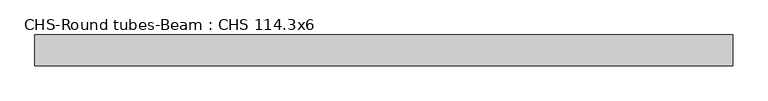
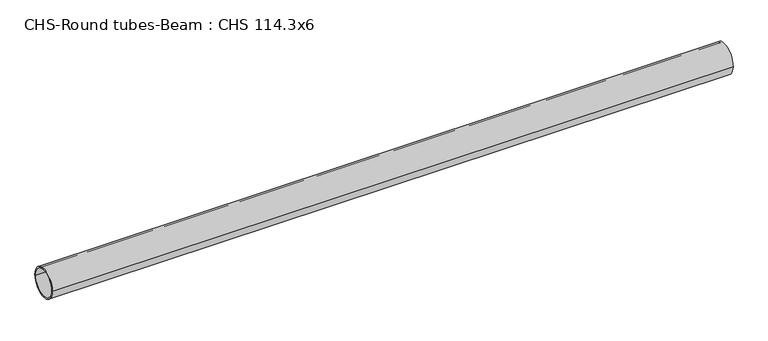
"""IFC4 building model written with IfcOpenShell, lengths in millimetres: beam geometry, CHS-Round tubes-Beam : CHS 114.3x6."""

from ifc_helpers import new_model, si_unit, point, frame, origin, origin_2d, place, context, project, spatial, circle_curve, trimmed, segment, composite_curve, outline, extrude, source, transform, mapped, element, save


def chs_round_tubes_beam_chs_114_3x6_1e34929b(model_context):
    return source(origin(), model_context, "Body", "SweptSolid", [
        extrude(outline(composite_curve([segment(trimmed(circle_curve(origin_2d(), 57.15), [point((57.15, 0.0))], [point((-57.15, 0.0))], False, "CARTESIAN"), True, "CONTINUOUS"), segment(trimmed(circle_curve(origin_2d(), 57.15), [point((-57.15, 0.0))], [point((57.15, 0.0))], False, "CARTESIAN"), True, "CONTINUOUS")], self_intersect=False), holes=[composite_curve([segment(trimmed(circle_curve(origin_2d(), 51.15), [point((51.15, 0.0))], [point((-51.15, 0.0))], True, "CARTESIAN"), True, "CONTINUOUS"), segment(trimmed(circle_curve(origin_2d(), 51.15), [point((-51.15, 0.0))], [point((51.15, 0.0))], True, "CARTESIAN"), True, "CONTINUOUS")], self_intersect=False)]), frame((-1251.1938956, 0.0, 0.0), z_axis=(1.0, 0.0, 0.0), x_axis=(0.0, 1.0, 0.0)), (0.0, 0.0, 1.0), 2577.229005),
    ])


if __name__ == "__main__":
    model = new_model("IFC4")
    model_context = context("Model", 3, world=origin())
    ifc_project = project(units=[si_unit("LENGTHUNIT", "METRE", prefix="MILLI")], contexts=[model_context])
    site = spatial("IfcSite", under=ifc_project)
    building = spatial("IfcBuilding", under=site)
    placement = place(None, origin())
    chs_round_tubes_beam_chs_114_3x6_shape = chs_round_tubes_beam_chs_114_3x6_1e34929b(model_context)
    element("IfcBeam", 1, ObjectType="CHS-Round tubes-Beam : CHS 114.3x6", at=placement, inside=building, context=model_context, shape_type="MappedRepresentation", body=[
        mapped(chs_round_tubes_beam_chs_114_3x6_shape, transform((0.0, 0.0, 0.0), x_axis=(1.0, 0.0, 0.0), y_axis=(0.0, 1.0, 0.0), z_axis=(0.0, 0.0, 1.0))),
    ])
    save(model, "model.ifc")
